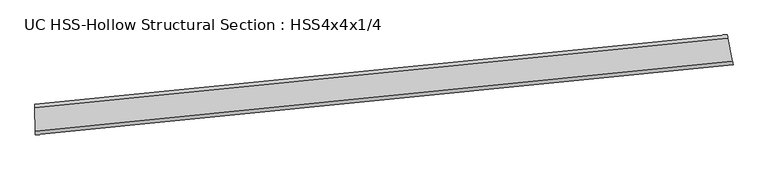
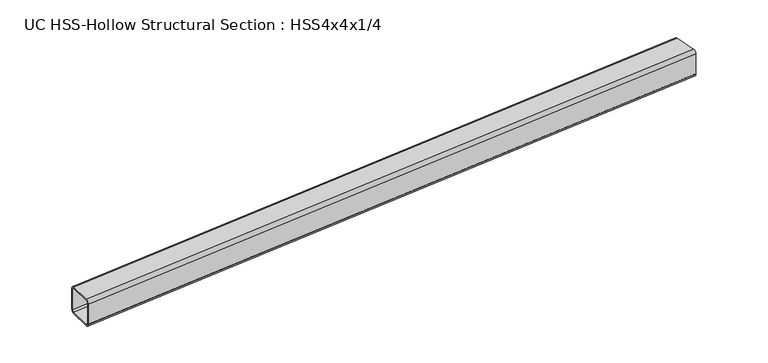
"""IFC4 building model written with IfcOpenShell, lengths in millimetres: beam geometry, UC HSS-Hollow Structural Section : HSS4x4x1/4."""

from ifc_helpers import new_model, si_unit, point, frame, origin, place, context, project, spatial, polyline, circle_curve, ellipse_curve, trimmed, source, transform, mapped, element, save
from ifc_brep_helpers import plane_surface, cylinder_surface, revolved_surface, advanced_brep


def uc_hss_hollow_structural_section_hss4x4x1_4_43c9a484(model_context):
    return source(origin(), model_context, "Body", "AdvancedBrep", [
        advanced_brep(
        [(2426.9563869, 183.4332025, 38.9636), (2426.9563869, 183.4332025, -38.9636), (2424.6927358, 195.0511304, -50.8), (2409.7895569, 271.5399777, -50.8), (2407.5259059, 283.1579056, -38.9636), (2407.5259059, 283.1579056, 38.9636), (2409.7895569, 271.5399777, 50.8), (2424.6927358, 195.0511304, 50.8), (2409.7895569, 271.5399777, 44.8818), (2408.6577314, 277.3489416, 38.9636), (2408.6577314, 277.3489416, -38.9636), (2409.7895569, 271.5399777, -44.8818), (2424.6927358, 195.0511304, -44.8818), (2425.8245614, 189.2421664, -38.9636), (2425.8245614, 189.2421664, 38.9636), (2424.6927358, 195.0511304, 44.8818), (91.3677854, -50.4710804, 38.9636), (91.2825656, -38.6349872, 50.8), (90.7215046, 39.290193, 50.8), (90.6362848, 51.1262862, 38.9636), (90.6362848, 51.1262862, -38.9636), (90.7215046, 39.290193, -50.8), (91.2825656, -38.6349872, -50.8), (91.3677854, -50.4710804, -38.9636), (90.7215046, 39.290193, 44.8818), (91.2825656, -38.6349872, 44.8818), (91.3251755, -44.5530338, 38.9636), (91.3251755, -44.5530338, -38.9636), (91.2825656, -38.6349872, -44.8818), (90.7215046, 39.290193, -44.8818), (90.6788947, 45.2082396, -38.9636), (90.6788947, 45.2082396, 38.9636)],
        [
            (0, 1),
            (1, 2, circle_curve(frame((2424.6927358, 195.0511304, -38.9636), z_axis=(0.9815423533469751, 0.1912448916600964, 0.0), x_axis=(-0.1912448916600964, 0.9815423533469751, 0.0)), 11.8364)),
            (2, 3),
            (3, 4, circle_curve(frame((2409.7895569, 271.5399777, -38.9636), z_axis=(0.9815423533469751, 0.1912448916600964, 0.0), x_axis=(-0.1912448916600964, 0.9815423533469751, 0.0)), 11.8364)),
            (4, 5),
            (5, 6, circle_curve(frame((2409.7895569, 271.5399777, 38.9636), z_axis=(0.9815423533469751, 0.1912448916600964, 0.0), x_axis=(-0.1912448916600964, 0.9815423533469751, 0.0)), 11.8364)),
            (6, 7),
            (7, 0, circle_curve(frame((2424.6927358, 195.0511304, 38.9636), z_axis=(0.9815423533469751, 0.1912448916600964, 0.0), x_axis=(-0.1912448916600964, 0.9815423533469751, 0.0)), 11.8364)),
            (8, 9, circle_curve(frame((2409.7895569, 271.5399777, 38.9636), z_axis=(-0.9815423533469751, -0.1912448916600964, 0.0), x_axis=(-0.1912448916600964, 0.9815423533469751, 0.0)), 5.9182)),
            (9, 10),
            (10, 11, circle_curve(frame((2409.7895569, 271.5399777, -38.9636), z_axis=(-0.9815423533469751, -0.1912448916600964, 0.0), x_axis=(-0.1912448916600964, 0.9815423533469751, 0.0)), 5.9182)),
            (11, 12),
            (12, 13, circle_curve(frame((2424.6927358, 195.0511304, -38.9636), z_axis=(-0.9815423533469751, -0.1912448916600964, 0.0), x_axis=(-0.1912448916600964, 0.9815423533469751, 0.0)), 5.9182)),
            (13, 14),
            (14, 15, circle_curve(frame((2424.6927358, 195.0511304, 38.9636), z_axis=(-0.9815423533469751, -0.1912448916600964, 0.0), x_axis=(-0.1912448916600964, 0.9815423533469751, 0.0)), 5.9182)),
            (15, 8),
            (16, 17, circle_curve(frame((91.2825656, -38.6349872, 38.9636), z_axis=(-0.9999740810399202, -0.007199808911851346, 0.0), x_axis=(-0.007199808911851346, 0.9999740810399202, 0.0)), 11.8364)),
            (17, 18),
            (18, 19, circle_curve(frame((90.7215046, 39.290193, 38.9636), z_axis=(-0.9999740810399202, -0.007199808911851346, 0.0), x_axis=(-0.007199808911851346, 0.9999740810399202, 0.0)), 11.8364)),
            (19, 20),
            (20, 21, circle_curve(frame((90.7215046, 39.290193, -38.9636), z_axis=(-0.9999740810399202, -0.007199808911851346, 0.0), x_axis=(-0.007199808911851346, 0.9999740810399202, 0.0)), 11.8364)),
            (21, 22),
            (22, 23, circle_curve(frame((91.2825656, -38.6349872, -38.9636), z_axis=(-0.9999740810399202, -0.007199808911851346, 0.0), x_axis=(-0.007199808911851346, 0.9999740810399202, 0.0)), 11.8364)),
            (23, 16),
            (24, 25),
            (25, 26, circle_curve(frame((91.2825656, -38.6349872, 38.9636), z_axis=(0.9999740810399202, 0.007199808911851346, 0.0), x_axis=(-0.007199808911851346, 0.9999740810399202, 0.0)), 5.9182)),
            (26, 27),
            (27, 28, circle_curve(frame((91.2825656, -38.6349872, -38.9636), z_axis=(0.9999740810399202, 0.007199808911851346, 0.0), x_axis=(-0.007199808911851346, 0.9999740810399202, 0.0)), 5.9182)),
            (28, 29),
            (29, 30, circle_curve(frame((90.7215046, 39.290193, -38.9636), z_axis=(0.9999740810399202, 0.007199808911851346, 0.0), x_axis=(-0.007199808911851346, 0.9999740810399202, 0.0)), 5.9182)),
            (30, 31),
            (31, 24, circle_curve(frame((90.7215046, 39.290193, 38.9636), z_axis=(0.9999740810399202, 0.007199808911851346, 0.0), x_axis=(-0.007199808911851346, 0.9999740810399202, 0.0)), 5.9182)),
            (7, 17, circle_curve(frame((0.0, 12639.5069975, 50.8), z_axis=(0.0, 0.0, -1.0), x_axis=(-0.6825595256534506, 0.7308300034479542, 0.0)), 12678.4705975)),
            (16, 0, circle_curve(frame((0.0, 12639.5069975, 38.9636), z_axis=(0.0, 0.0, 1.0), x_axis=(-0.6825595256534506, 0.7308300034479542, 0.0)), 12690.3069975)),
            (6, 18, circle_curve(frame((0.0, 12639.5069975, 50.8), z_axis=(0.0, 0.0, -1.0), x_axis=(-0.6825595256534506, 0.7308300034479542, 0.0)), 12600.5433975)),
            (5, 19, circle_curve(frame((0.0, 12639.5069975, 38.9636), z_axis=(0.0, 0.0, -1.0), x_axis=(-0.6825595256534506, 0.7308300034479542, 0.0)), 12588.7069975)),
            (4, 20, circle_curve(frame((0.0, 12639.5069975, -38.9636), z_axis=(0.0, 0.0, -1.0), x_axis=(-0.6825595256534506, 0.7308300034479542, 0.0)), 12588.7069975)),
            (3, 21, circle_curve(frame((0.0, 12639.5069975, -50.8), z_axis=(0.0, 0.0, -1.0), x_axis=(-0.6825595256534506, 0.7308300034479542, 0.0)), 12600.5433975)),
            (2, 22, circle_curve(frame((0.0, 12639.5069975, -50.8), z_axis=(0.0, 0.0, -1.0), x_axis=(-0.6825595256534506, 0.7308300034479542, 0.0)), 12678.4705975)),
            (1, 23, circle_curve(frame((0.0, 12639.5069975, -38.9636), z_axis=(0.0, 0.0, -1.0), x_axis=(-0.6825595256534506, 0.7308300034479542, 0.0)), 12690.3069975)),
            (15, 25, circle_curve(frame((0.0, 12639.5069975, 44.8818), z_axis=(0.0, 0.0, -1.0), x_axis=(-0.6825595256534506, 0.7308300034479542, 0.0)), 12678.4705975)),
            (24, 8, circle_curve(frame((0.0, 12639.5069975, 44.8818), z_axis=(0.0, 0.0, 1.0), x_axis=(-0.6825595256534506, 0.7308300034479542, 0.0)), 12600.5433975)),
            (14, 26, circle_curve(frame((0.0, 12639.5069975, 38.9636), z_axis=(0.0, 0.0, -1.0), x_axis=(-0.6825595256534506, 0.7308300034479542, 0.0)), 12684.3887975)),
            (13, 27, circle_curve(frame((0.0, 12639.5069975, -38.9636), z_axis=(0.0, 0.0, -1.0), x_axis=(-0.6825595256534506, 0.7308300034479542, 0.0)), 12684.3887975)),
            (12, 28, circle_curve(frame((0.0, 12639.5069975, -44.8818), z_axis=(0.0, 0.0, -1.0), x_axis=(-0.6825595256534506, 0.7308300034479542, 0.0)), 12678.4705975)),
            (11, 29, circle_curve(frame((0.0, 12639.5069975, -44.8818), z_axis=(0.0, 0.0, -1.0), x_axis=(-0.6825595256534506, 0.7308300034479542, 0.0)), 12600.5433975)),
            (10, 30, circle_curve(frame((0.0, 12639.5069975, -38.9636), z_axis=(0.0, 0.0, -1.0), x_axis=(-0.6825595256534506, 0.7308300034479542, 0.0)), 12594.6251975)),
            (9, 31, circle_curve(frame((0.0, 12639.5069975, 38.9636), z_axis=(0.0, 0.0, -1.0), x_axis=(-0.6825595256534506, 0.7308300034479542, 0.0)), 12594.6251975)),
        ],
        [
            plane_surface(frame((2417.2411464, 233.295554, 0.0), z_axis=(0.9815423533469739, 0.1912448916601025, 0.0), x_axis=(0.0, 0.0, 1.0))),
            plane_surface(frame((91.0020351, 0.3276029, 0.0), z_axis=(-0.9999740810399202, -0.007199808911857564, 0.0), x_axis=(0.0, 0.0, 1.0))),
            revolved_surface(trimmed(ellipse_curve(frame((-8653.8108771, 21905.313708, 38.9636), z_axis=(-0.7308300034479586, -0.6825595256534459, 0.0), x_axis=(0.6825595256534459, -0.7308300034479586, 0.0)), 11.8364, 11.8364), [point((-8653.8108771, 21905.313708, 50.8))], [point((-8661.8899246, 21913.9641043, 38.9636))], True, "CARTESIAN"), (0.0, 12639.5069975, 0.0), (0.0, 0.0, -1.0000000000000002)),
            plane_surface(frame((0.0, 12639.5069975, 50.8), z_axis=(0.0, 0.0, 1.0000000000000002), x_axis=(-0.6825595256534506, 0.7308300034479542, 0.0))),
            revolved_surface(trimmed(ellipse_curve(frame((-8600.6209244, 21848.3621722, 38.9636), z_axis=(-0.7308300034479586, -0.6825595256534459, 0.0), x_axis=(0.6825595256534459, -0.7308300034479586, 0.0)), 11.8364, 11.8364), [point((-8592.5418768, 21839.7117759, 38.9636))], [point((-8600.6209244, 21848.3621722, 50.8))], True, "CARTESIAN"), (0.0, 12639.5069975, 0.0), (0.0, 0.0, -1.0000000000000002)),
            revolved_surface(polyline([(-8592.541876803874, 21839.71177588821, -38.963600000000014), (-8592.541876803874, 21839.71177588821, 38.963600000000014)]), (0.0, 12639.5069975, 0.0), (0.0, 0.0, -1.0000000000000002)),
            revolved_surface(trimmed(ellipse_curve(frame((-8600.6209244, 21848.3621722, -38.9636), z_axis=(-0.7308300034479586, -0.6825595256534459, 0.0), x_axis=(0.6825595256534459, -0.7308300034479586, 0.0)), 11.8364, 11.8364), [point((-8600.6209244, 21848.3621722, -50.8))], [point((-8592.5418768, 21839.7117759, -38.9636))], True, "CARTESIAN"), (0.0, 12639.5069975, 0.0), (0.0, 0.0, -1.0000000000000002)),
            plane_surface(frame((0.0, 12639.5069975, -50.8), z_axis=(0.0, 0.0, -1.0000000000000002), x_axis=(-0.6825595256534506, 0.7308300034479542, 0.0))),
            revolved_surface(trimmed(ellipse_curve(frame((-8653.8108771, 21905.313708, -38.9636), z_axis=(-0.7308300034479586, -0.6825595256534459, 0.0), x_axis=(0.6825595256534459, -0.7308300034479586, 0.0)), 11.8364, 11.8364), [point((-8661.8899246, 21913.9641043, -38.9636))], [point((-8653.8108771, 21905.313708, -50.8))], True, "CARTESIAN"), (0.0, 12639.5069975, 0.0), (0.0, 0.0, -1.0000000000000002)),
            cylinder_surface(frame((0.0, 12639.5069975, 0.0), z_axis=(0.0, 0.0, -1.0000000000000002), x_axis=(-0.6825595256534506, 0.7308300034479542, 0.0)), 12690.3069975),
            plane_surface(frame((0.0, 12639.5069975, 44.8818), z_axis=(0.0, 0.0, -1.0000000000000002), x_axis=(-0.6825595256534506, 0.7308300034479542, 0.0))),
            revolved_surface(trimmed(ellipse_curve(frame((-8653.8108771, 21905.313708, 38.9636), z_axis=(0.7308300034479586, 0.6825595256534459, 0.0), x_axis=(0.6825595256534459, -0.7308300034479586, 0.0)), 5.9182, 5.9182), [point((-8657.8504008, 21909.6389062, 38.9636))], [point((-8653.8108771, 21905.313708, 44.8818))], True, "CARTESIAN"), (0.0, 12639.5069975, 0.0), (0.0, 0.0, -1.0000000000000002)),
            revolved_surface(polyline([(-8657.850400825542, 21909.638906112115, -38.963600000000014), (-8657.850400825542, 21909.638906112115, 38.963600000000014)]), (0.0, 12639.5069975, 0.0), (0.0, 0.0, -1.0000000000000002)),
            revolved_surface(trimmed(ellipse_curve(frame((-8653.8108771, 21905.313708, -38.9636), z_axis=(0.7308300034479586, 0.6825595256534459, 0.0), x_axis=(0.6825595256534459, -0.7308300034479586, 0.0)), 5.9182, 5.9182), [point((-8653.8108771, 21905.313708, -44.8818))], [point((-8657.8504008, 21909.6389062, -38.9636))], True, "CARTESIAN"), (0.0, 12639.5069975, 0.0), (0.0, 0.0, -1.0000000000000002)),
            plane_surface(frame((0.0, 12639.5069975, -44.8818), z_axis=(0.0, 0.0, 1.0000000000000002), x_axis=(-0.6825595256534506, 0.7308300034479542, 0.0))),
            revolved_surface(trimmed(ellipse_curve(frame((-8600.6209244, 21848.3621722, -38.9636), z_axis=(0.7308300034479586, 0.6825595256534459, 0.0), x_axis=(0.6825595256534459, -0.7308300034479586, 0.0)), 5.9182, 5.9182), [point((-8596.5814006, 21844.0369741, -38.9636))], [point((-8600.6209244, 21848.3621722, -44.8818))], True, "CARTESIAN"), (0.0, 12639.5069975, 0.0), (0.0, 0.0, -1.0000000000000002)),
            cylinder_surface(frame((0.0, 12639.5069975, 0.0), z_axis=(0.0, 0.0, -1.0000000000000002), x_axis=(-0.6825595256534506, 0.7308300034479542, 0.0)), 12594.6251975),
            revolved_surface(trimmed(ellipse_curve(frame((-8600.6209244, 21848.3621722, 38.9636), z_axis=(0.7308300034479586, 0.6825595256534459, 0.0), x_axis=(0.6825595256534459, -0.7308300034479586, 0.0)), 5.9182, 5.9182), [point((-8600.6209244, 21848.3621722, 44.8818))], [point((-8596.5814006, 21844.0369741, 38.9636))], True, "CARTESIAN"), (0.0, 12639.5069975, 0.0), (0.0, 0.0, -1.0000000000000002)),
        ],
        [
            (0, [[1, 2, 3, 4, 5, 6, 7, 8], [9, 10, 11, 12, 13, 14, 15, 16]]),
            (1, [[17, 18, 19, 20, 21, 22, 23, 24], [25, 26, 27, 28, 29, 30, 31, 32]]),
            (2, [[33, -17, 34, -8]]),
            (3, [[35, -18, -33, -7]]),
            (4, [[36, -19, -35, -6]]),
            (5, [[37, -20, -36, -5]]),
            (6, [[38, -21, -37, -4]]),
            (7, [[39, -22, -38, -3]]),
            (8, [[40, -23, -39, -2]]),
            (9, [[-34, -24, -40, -1]]),
            (10, [[41, -25, 42, -16]]),
            (11, [[43, -26, -41, -15]]),
            (12, [[44, -27, -43, -14]]),
            (13, [[45, -28, -44, -13]]),
            (14, [[46, -29, -45, -12]]),
            (15, [[47, -30, -46, -11]]),
            (16, [[48, -31, -47, -10]]),
            (17, [[-42, -32, -48, -9]]),
        ],
    ),
    ])


if __name__ == "__main__":
    model = new_model("IFC4")
    model_context = context("Model", 3, world=origin())
    ifc_project = project(units=[si_unit("LENGTHUNIT", "METRE", prefix="MILLI")], contexts=[model_context])
    site = spatial("IfcSite", under=ifc_project)
    building = spatial("IfcBuilding", under=site)
    placement = place(None, origin())
    uc_hss_hollow_structural_section_hss4x4x1_4_shape = uc_hss_hollow_structural_section_hss4x4x1_4_43c9a484(model_context)
    element("IfcBeam", 1, ObjectType="UC HSS-Hollow Structural Section : HSS4x4x1/4", at=placement, inside=building, context=model_context, shape_type="MappedRepresentation", body=[
        mapped(uc_hss_hollow_structural_section_hss4x4x1_4_shape, transform((0.0, 0.0, 0.0), x_axis=(1.0, 0.0, 0.0), y_axis=(0.0, 1.0, 0.0), z_axis=(0.0, 0.0, 1.0))),
    ])
    save(model, "model.ifc")
